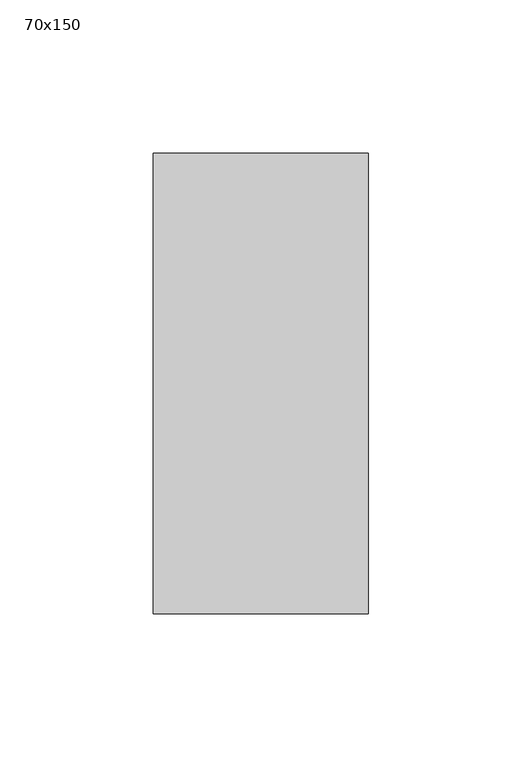
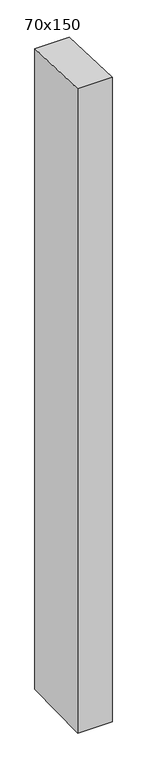
"""IFC4 building model written with IfcOpenShell, lengths in millimetres: member geometry, 70x150."""

from ifc_helpers import new_model, si_unit, frame, origin, place, context, project, spatial, polyline, outline, extrude, source, transform, mapped, element, save


def member_70x150_8d1aeb24(model_context):
    return source(origin(), model_context, "Body", "SweptSolid", [
        extrude(outline(polyline([(-75.0, 2.3941027), (75.0, -2.3941027), (75.0, -1378.5010843), (-75.0, -1381.256696), (-75.0, 2.3941027)])), frame((-70.0, 0.0, 0.0), z_axis=(1.0, 0.0, 0.0), x_axis=(0.0, 1.0, 0.0)), (0.0, 0.0, 1.0), 70.0),
    ])


if __name__ == "__main__":
    model = new_model("IFC4")
    model_context = context("Model", 3, world=origin())
    ifc_project = project(units=[si_unit("LENGTHUNIT", "METRE", prefix="MILLI")], contexts=[model_context])
    site = spatial("IfcSite", under=ifc_project)
    building = spatial("IfcBuilding", under=site)
    placement = place(None, origin())
    member_70x150_shape = member_70x150_8d1aeb24(model_context)
    element("IfcMember", 1, ObjectType="70x150", at=placement, inside=building, context=model_context, shape_type="MappedRepresentation", body=[
        mapped(member_70x150_shape, transform((0.0, 0.0, 0.0), x_axis=(1.0, 0.0, 0.0), y_axis=(0.0, 1.0, 0.0), z_axis=(0.0, 0.0, 1.0))),
    ])
    save(model, "model.ifc")
